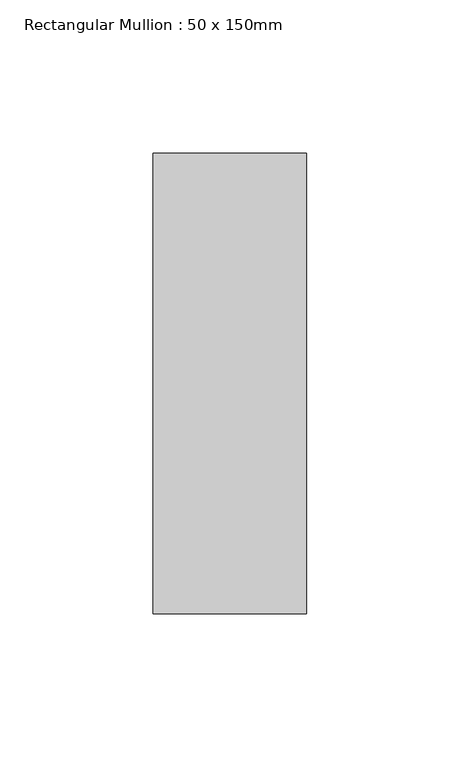
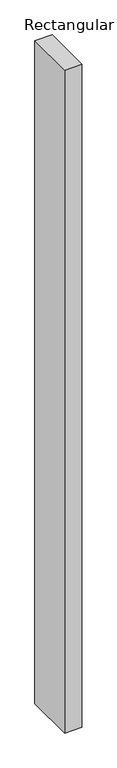
"""IFC4 building model written with IfcOpenShell, lengths in millimetres: member geometry, Rectangular Mullion : 50 x 150mm."""

from ifc_helpers import new_model, si_unit, frame, origin, place, context, project, spatial, polyline, outline, extrude, source, transform, mapped, element, save


def rectangular_mullion_50_x_150mm_85579567(model_context):
    return source(origin(), model_context, "Body", "SweptSolid", [
        extrude(outline(polyline([(25.0, 75.0), (25.0, -75.0), (-25.0, -75.0), (-25.0, 75.0), (25.0, 75.0)])), frame((0.0, 0.0, -2048.6320308), z_axis=(0.0, 0.0, 1.0), x_axis=(1.0, 0.0, 0.0)), (0.0, 0.0, 1.0), 2048.6320308),
    ])


if __name__ == "__main__":
    model = new_model("IFC4")
    model_context = context("Model", 3, world=origin())
    ifc_project = project(units=[si_unit("LENGTHUNIT", "METRE", prefix="MILLI")], contexts=[model_context])
    site = spatial("IfcSite", under=ifc_project)
    building = spatial("IfcBuilding", under=site)
    placement = place(None, origin())
    rectangular_mullion_50_x_150mm_shape = rectangular_mullion_50_x_150mm_85579567(model_context)
    element("IfcMember", 1, ObjectType="Rectangular Mullion : 50 x 150mm", at=placement, inside=building, context=model_context, shape_type="MappedRepresentation", body=[
        mapped(rectangular_mullion_50_x_150mm_shape, transform((0.0, 0.0, 0.0), x_axis=(1.0, 0.0, 0.0), y_axis=(0.0, 1.0, 0.0), z_axis=(0.0, 0.0, 1.0))),
    ])
    save(model, "model.ifc")
